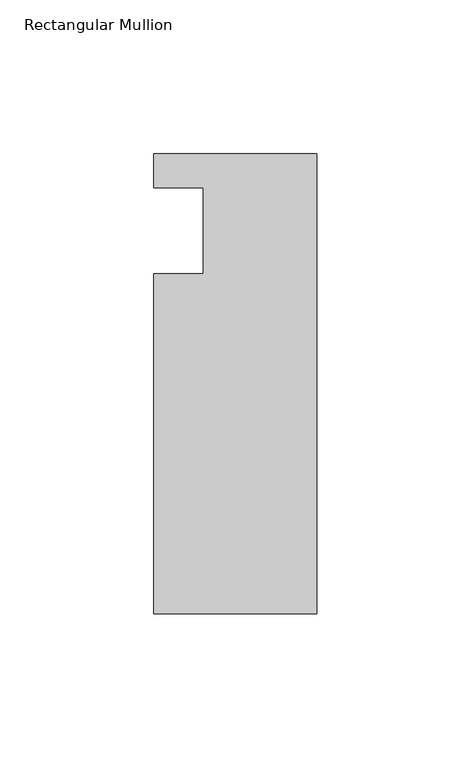
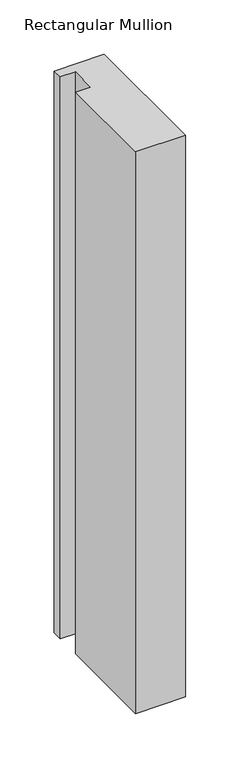
"""IFC4 building model written with IfcOpenShell, lengths in millimetres: member geometry, Rectangular Mullion."""

from ifc_helpers import new_model, si_unit, frame, origin, place, context, project, spatial, polyline, outline, extrude, source, transform, mapped, element, save


def rectangular_mullion_f67fd45e(model_context):
    return source(origin(), model_context, "Body", "SweptSolid", [
        extrude(outline(polyline([(-37.0, 13.9999453), (-53.0, 13.9999453), (-53.0, 24.9999453), (0.0, 24.9999453), (0.0, -124.5000547), (-53.0, -124.5000547), (-53.0, -14.0000547), (-37.0, -14.0000547), (-37.0, 13.9999453)])), frame((0.0, 0.0, -629.1672627), z_axis=(0.0, 0.0, 1.0), x_axis=(1.0, 0.0, 0.0)), (0.0, 0.0, 1.0), 629.1672627),
    ])


if __name__ == "__main__":
    model = new_model("IFC4")
    model_context = context("Model", 3, world=origin())
    ifc_project = project(units=[si_unit("LENGTHUNIT", "METRE", prefix="MILLI")], contexts=[model_context])
    site = spatial("IfcSite", under=ifc_project)
    building = spatial("IfcBuilding", under=site)
    placement = place(None, origin())
    rectangular_mullion_shape = rectangular_mullion_f67fd45e(model_context)
    element("IfcMember", 1, ObjectType="Rectangular Mullion", at=placement, inside=building, context=model_context, shape_type="MappedRepresentation", body=[
        mapped(rectangular_mullion_shape, transform((0.0, 0.0, 0.0), x_axis=(1.0, 0.0, 0.0), y_axis=(0.0, 1.0, 0.0), z_axis=(0.0, 0.0, 1.0))),
    ])
    save(model, "model.ifc")
